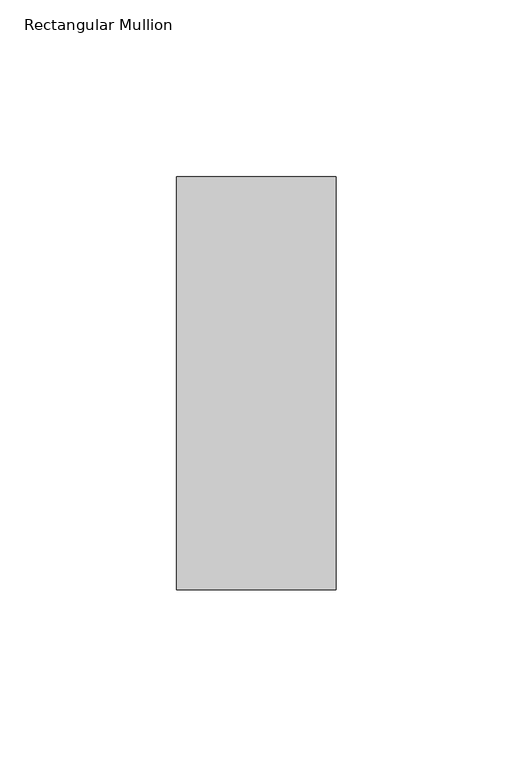
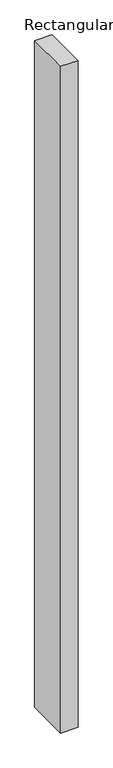
"""IFC4 building model written with IfcOpenShell, lengths in millimetres: member geometry, Rectangular Mullion."""

from ifc_helpers import new_model, si_unit, frame, origin, place, context, project, spatial, polyline, outline, extrude, source, transform, mapped, element, save


def rectangular_mullion_0f3c7866(model_context):
    return source(origin(), model_context, "Body", "SweptSolid", [
        extrude(outline(polyline([(22.5226562, 73.875), (22.5226562, -42.8257813), (-22.5226562, -42.8257813), (-22.5226562, 73.875), (22.5226562, 73.875)])), frame((0.0, 0.0, -1828.8), z_axis=(0.0, 0.0, 1.0), x_axis=(1.0, 0.0, 0.0)), (0.0, 0.0, 1.0), 1828.8),
    ])


if __name__ == "__main__":
    model = new_model("IFC4")
    model_context = context("Model", 3, world=origin())
    ifc_project = project(units=[si_unit("LENGTHUNIT", "METRE", prefix="MILLI")], contexts=[model_context])
    site = spatial("IfcSite", under=ifc_project)
    building = spatial("IfcBuilding", under=site)
    placement = place(None, origin())
    rectangular_mullion_shape = rectangular_mullion_0f3c7866(model_context)
    element("IfcMember", 1, ObjectType="Rectangular Mullion", at=placement, inside=building, context=model_context, shape_type="MappedRepresentation", body=[
        mapped(rectangular_mullion_shape, transform((0.0, 0.0, 0.0), x_axis=(1.0, 0.0, 0.0), y_axis=(0.0, 1.0, 0.0), z_axis=(0.0, 0.0, 1.0))),
    ])
    save(model, "model.ifc")
